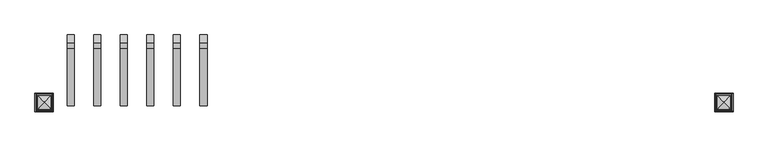
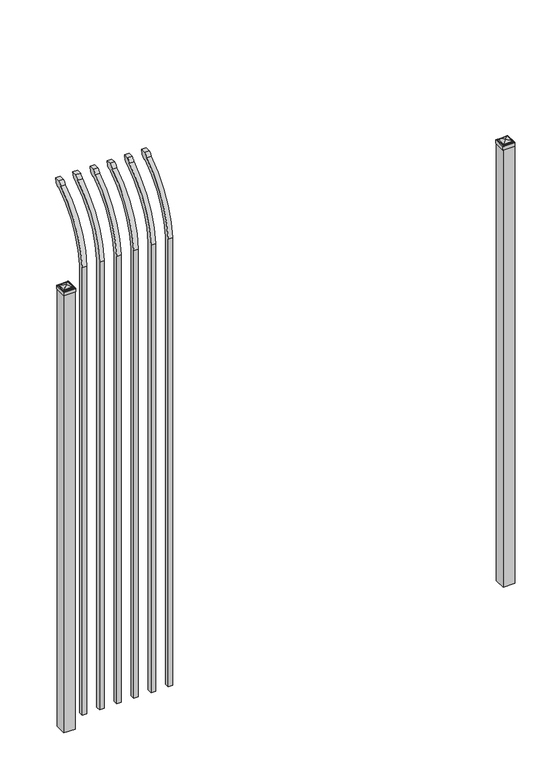
"""IFC4 building model written with IfcOpenShell, lengths in millimetres: railing geometry."""

from ifc_helpers import new_model, si_unit, point, frame, origin, origin_with_axes, place, context, project, spatial, polyline, circle_curve, ellipse_curve, trimmed, outline, extrude, source, transform, mapped, element, save
from ifc_brep_helpers import plane_surface, cylinder_surface, revolved_surface, extruded_surface, advanced_brep


def railing_e2845cda(model_context):
    return source(origin(), model_context, "Body", "SolidModel", [
        advanced_brep(
        [(20603.9350064, 8857.619541, 50.8), (20603.9350064, 8857.619541, 2673.5226889), (20603.9350064, 9054.7326851, 3005.7022378), (20603.9350064, 9081.2407099, 3020.3867549), (20603.9350064, 9087.1100864, 3048.0), (20603.9350064, 9058.8799449, 3048.0), (20603.9350064, 9039.4931591, 3027.0682561), (20603.9350064, 8832.219541, 2673.5226889), (20603.9350064, 8832.219541, 50.8), (20578.5350064, 8857.619541, 50.8), (20578.5350064, 8857.619541, 2673.5226889), (20578.5350064, 8832.219541, 2673.5226889), (20578.5350064, 8832.219541, 50.8), (20578.5350064, 9039.4931591, 3027.0682561), (20578.5350064, 9058.8799449, 3048.0), (20578.5350064, 9087.1100864, 3048.0), (20578.5350064, 9081.2407099, 3020.3867549), (20578.5350064, 9054.7326851, 3005.7022378)],
        [
            (0, 1),
            (1, 2, circle_curve(frame((20603.9350064, 9294.9874207, 2638.5640776), z_axis=(-1.0, 0.0, 0.0), x_axis=(0.0, 1.0, 0.0)), 438.7627681)),
            (2, 3, ellipse_curve(frame((20603.9350064, 9062.5579376, 3028.1180619), z_axis=(1.0, 0.0, 0.0), x_axis=(0.0, -0.7771459614569761, -0.6293203910498311)), 26.7460194, 19.05)),
            (3, 4),
            (4, 5),
            (5, 6, ellipse_curve(frame((20603.9350064, 9062.5579376, 3028.1180619), z_axis=(0.9999999999999999, 0.0, 0.0), x_axis=(0.0, -0.7771459614569769, -0.62932039104983)), 26.7460194, 19.05)),
            (6, 7, circle_curve(frame((20603.9350064, 9294.0333244, 2640.3065933), z_axis=(1.0, 0.0, 0.0), x_axis=(0.0, 1.0, 0.0)), 463.0067812)),
            (7, 8),
            (8, 0),
            (0, 9),
            (9, 10),
            (10, 1),
            (7, 11),
            (11, 12),
            (12, 8),
            (12, 9),
            (11, 13, circle_curve(frame((20578.5350064, 9294.0333244, 2640.3065933), z_axis=(-1.0, 0.0, 0.0), x_axis=(0.0, 1.0, 0.0)), 463.0067812)),
            (13, 14, ellipse_curve(frame((20578.5350064, 9062.5579376, 3028.1180619), z_axis=(-0.9999999999999999, 0.0, 0.0), x_axis=(0.0, -0.7771459614569769, -0.62932039104983)), 26.7460194, 19.05)),
            (14, 15),
            (15, 16),
            (16, 17, ellipse_curve(frame((20578.5350064, 9062.5579376, 3028.1180619), z_axis=(-1.0, 0.0, 0.0), x_axis=(0.0, -0.7771459614569761, -0.6293203910498311)), 26.7460194, 19.05)),
            (17, 10, circle_curve(frame((20578.5350064, 9294.9874207, 2638.5640776), z_axis=(1.0, 0.0, 0.0), x_axis=(0.0, 1.0, 0.0)), 438.7627681)),
            (17, 2),
            (16, 3),
            (15, 4),
            (14, 5),
            (13, 6),
        ],
        [
            plane_surface(frame((20603.9350064, 8857.619541, 50.8), z_axis=(1.0, 0.0, 0.0), x_axis=(0.0, 0.0, 1.0))),
            plane_surface(frame((20603.9350064, 8857.619541, 50.8), z_axis=(0.0, 1.0, 0.0), x_axis=(-1.0, 0.0, 0.0))),
            plane_surface(frame((20603.9350064, 8832.219541, 2673.5226889), z_axis=(0.0, -1.0, 0.0), x_axis=(-1.0, 0.0, 0.0))),
            plane_surface(frame((20603.9350064, 8832.219541, 50.8), z_axis=(0.0, 0.0, -1.0), x_axis=(-1.0, 0.0, 0.0))),
            plane_surface(frame((20578.5350064, 8857.619541, 50.8), z_axis=(-1.0, 0.0, 0.0), x_axis=(0.0, 0.0, -1.0))),
            revolved_surface(polyline([(20578.5350064, 9733.750188799999, 2638.5640776), (20603.9350064, 9733.750188799999, 2638.5640776)]), (20578.5350064, 9294.9874207, 2638.5640776), (-1.0, 0.0, 0.0)),
            extruded_surface(trimmed(ellipse_curve(frame((20553.1350064, 9062.5579376, 3028.1180619), z_axis=(1.0, 0.0, 0.0), x_axis=(0.0, -0.7771459614569761, -0.6293203910498311)), 26.7460194, 19.05), [point((20553.1350064, 9054.7326851, 3005.7022378))], [point((20553.1350064, 9081.2407099, 3020.3867549))], True, "CARTESIAN"), (25.400000000001455, 0.0, 0.0), 25.400000000001455),
            plane_surface(frame((20603.9350064, 9081.2407099, 3020.3867549), z_axis=(0.0, 0.9781476007338016, -0.2079116908177787), x_axis=(-1.0, 0.0, 0.0))),
            plane_surface(frame((20603.9350064, 9087.1100864, 3048.0), z_axis=(0.0, 0.0, 1.0), x_axis=(-1.0, 0.0, 0.0))),
            extruded_surface(trimmed(ellipse_curve(frame((20553.1350064, 9062.5579376, 3028.1180619), z_axis=(0.9999999999999999, 0.0, 0.0), x_axis=(0.0, -0.7771459614569769, -0.62932039104983)), 26.7460194, 19.05), [point((20553.1350064, 9058.8799449, 3048.0))], [point((20553.1350064, 9039.4931591, 3027.0682561))], True, "CARTESIAN"), (25.400000000001455, 0.0, 0.0), 25.400000000001455),
            cylinder_surface(frame((20578.5350064, 9294.0333244, 2640.3065933), z_axis=(1.0, 0.0, 0.0), x_axis=(0.0, 1.0, 0.0)), 463.0067812),
        ],
        [
            (0, [[1, 2, 3, 4, 5, 6, 7, 8, 9]]),
            (1, [[-1, 10, 11, 12]]),
            (2, [[-8, 13, 14, 15]]),
            (3, [[-9, -15, 16, -10]]),
            (4, [[-16, -14, 17, 18, 19, 20, 21, 22, -11]]),
            (5, [[-2, -12, -22, 23]]),
            (6, [[-3, -23, -21, 24]]),
            (7, [[-4, -24, -20, 25]]),
            (8, [[-5, -25, -19, 26]]),
            (9, [[-6, -26, -18, 27]]),
            (10, [[-7, -27, -17, -13]]),
        ],
    ),
        advanced_brep(
        [(20508.6850064, 8857.619541, 50.8), (20508.6850064, 8857.619541, 2673.5226889), (20508.6850064, 9054.7326851, 3005.7022378), (20508.6850064, 9081.2407099, 3020.3867549), (20508.6850064, 9087.1100864, 3048.0), (20508.6850064, 9058.8799449, 3048.0), (20508.6850064, 9039.4931591, 3027.0682561), (20508.6850064, 8832.219541, 2673.5226889), (20508.6850064, 8832.219541, 50.8), (20483.2850064, 8857.619541, 50.8), (20483.2850064, 8857.619541, 2673.5226889), (20483.2850064, 8832.219541, 2673.5226889), (20483.2850064, 8832.219541, 50.8), (20483.2850064, 9039.4931591, 3027.0682561), (20483.2850064, 9058.8799449, 3048.0), (20483.2850064, 9087.1100864, 3048.0), (20483.2850064, 9081.2407099, 3020.3867549), (20483.2850064, 9054.7326851, 3005.7022378)],
        [
            (0, 1),
            (1, 2, circle_curve(frame((20508.6850064, 9294.9874207, 2638.5640776), z_axis=(-1.0, 0.0, 0.0), x_axis=(0.0, 1.0, 0.0)), 438.7627681)),
            (2, 3, ellipse_curve(frame((20508.6850064, 9062.5579376, 3028.1180619), z_axis=(1.0, 0.0, 0.0), x_axis=(0.0, -0.7771459614569761, -0.6293203910498311)), 26.7460194, 19.05)),
            (3, 4),
            (4, 5),
            (5, 6, ellipse_curve(frame((20508.6850064, 9062.5579376, 3028.1180619), z_axis=(0.9999999999999999, 0.0, 0.0), x_axis=(0.0, -0.7771459614569769, -0.62932039104983)), 26.7460194, 19.05)),
            (6, 7, circle_curve(frame((20508.6850064, 9294.0333244, 2640.3065933), z_axis=(1.0, 0.0, 0.0), x_axis=(0.0, 1.0, 0.0)), 463.0067812)),
            (7, 8),
            (8, 0),
            (0, 9),
            (9, 10),
            (10, 1),
            (7, 11),
            (11, 12),
            (12, 8),
            (12, 9),
            (11, 13, circle_curve(frame((20483.2850064, 9294.0333244, 2640.3065933), z_axis=(-1.0, 0.0, 0.0), x_axis=(0.0, 1.0, 0.0)), 463.0067812)),
            (13, 14, ellipse_curve(frame((20483.2850064, 9062.5579376, 3028.1180619), z_axis=(-0.9999999999999999, 0.0, 0.0), x_axis=(0.0, -0.7771459614569769, -0.62932039104983)), 26.7460194, 19.05)),
            (14, 15),
            (15, 16),
            (16, 17, ellipse_curve(frame((20483.2850064, 9062.5579376, 3028.1180619), z_axis=(-1.0, 0.0, 0.0), x_axis=(0.0, -0.7771459614569761, -0.6293203910498311)), 26.7460194, 19.05)),
            (17, 10, circle_curve(frame((20483.2850064, 9294.9874207, 2638.5640776), z_axis=(1.0, 0.0, 0.0), x_axis=(0.0, 1.0, 0.0)), 438.7627681)),
            (17, 2),
            (16, 3),
            (15, 4),
            (14, 5),
            (13, 6),
        ],
        [
            plane_surface(frame((20508.6850064, 8857.619541, 50.8), z_axis=(1.0, 0.0, 0.0), x_axis=(0.0, 0.0, 1.0))),
            plane_surface(frame((20508.6850064, 8857.619541, 50.8), z_axis=(0.0, 1.0, 0.0), x_axis=(-1.0, 0.0, 0.0))),
            plane_surface(frame((20508.6850064, 8832.219541, 2673.5226889), z_axis=(0.0, -1.0, 0.0), x_axis=(-1.0, 0.0, 0.0))),
            plane_surface(frame((20508.6850064, 8832.219541, 50.8), z_axis=(0.0, 0.0, -1.0), x_axis=(-1.0, 0.0, 0.0))),
            plane_surface(frame((20483.2850064, 8857.619541, 50.8), z_axis=(-1.0, 0.0, 0.0), x_axis=(0.0, 0.0, -1.0))),
            revolved_surface(polyline([(20483.2850064, 9733.750188799999, 2638.5640776), (20508.6850064, 9733.750188799999, 2638.5640776)]), (20483.2850064, 9294.9874207, 2638.5640776), (-1.0, 0.0, 0.0)),
            extruded_surface(trimmed(ellipse_curve(frame((20457.8850064, 9062.5579376, 3028.1180619), z_axis=(1.0, 0.0, 0.0), x_axis=(0.0, -0.7771459614569761, -0.6293203910498311)), 26.7460194, 19.05), [point((20457.8850064, 9054.7326851, 3005.7022378))], [point((20457.8850064, 9081.2407099, 3020.3867549))], True, "CARTESIAN"), (25.400000000001455, 0.0, 0.0), 25.400000000001455),
            plane_surface(frame((20508.6850064, 9081.2407099, 3020.3867549), z_axis=(0.0, 0.9781476007338016, -0.2079116908177787), x_axis=(-1.0, 0.0, 0.0))),
            plane_surface(frame((20508.6850064, 9087.1100864, 3048.0), z_axis=(0.0, 0.0, 1.0), x_axis=(-1.0, 0.0, 0.0))),
            extruded_surface(trimmed(ellipse_curve(frame((20457.8850064, 9062.5579376, 3028.1180619), z_axis=(0.9999999999999999, 0.0, 0.0), x_axis=(0.0, -0.7771459614569769, -0.62932039104983)), 26.7460194, 19.05), [point((20457.8850064, 9058.8799449, 3048.0))], [point((20457.8850064, 9039.4931591, 3027.0682561))], True, "CARTESIAN"), (25.400000000001455, 0.0, 0.0), 25.400000000001455),
            cylinder_surface(frame((20483.2850064, 9294.0333244, 2640.3065933), z_axis=(1.0, 0.0, 0.0), x_axis=(0.0, 1.0, 0.0)), 463.0067812),
        ],
        [
            (0, [[1, 2, 3, 4, 5, 6, 7, 8, 9]]),
            (1, [[-1, 10, 11, 12]]),
            (2, [[-8, 13, 14, 15]]),
            (3, [[-9, -15, 16, -10]]),
            (4, [[-16, -14, 17, 18, 19, 20, 21, 22, -11]]),
            (5, [[-2, -12, -22, 23]]),
            (6, [[-3, -23, -21, 24]]),
            (7, [[-4, -24, -20, 25]]),
            (8, [[-5, -25, -19, 26]]),
            (9, [[-6, -26, -18, 27]]),
            (10, [[-7, -27, -17, -13]]),
        ],
    ),
        advanced_brep(
        [(20413.4350064, 8857.619541, 50.8), (20413.4350064, 8857.619541, 2673.5226889), (20413.4350064, 9054.7326851, 3005.7022378), (20413.4350064, 9081.2407099, 3020.3867549), (20413.4350064, 9087.1100864, 3048.0), (20413.4350064, 9058.8799449, 3048.0), (20413.4350064, 9039.4931591, 3027.0682561), (20413.4350064, 8832.219541, 2673.5226889), (20413.4350064, 8832.219541, 50.8), (20388.0350064, 8857.619541, 50.8), (20388.0350064, 8857.619541, 2673.5226889), (20388.0350064, 8832.219541, 2673.5226889), (20388.0350064, 8832.219541, 50.8), (20388.0350064, 9039.4931591, 3027.0682561), (20388.0350064, 9058.8799449, 3048.0), (20388.0350064, 9087.1100864, 3048.0), (20388.0350064, 9081.2407099, 3020.3867549), (20388.0350064, 9054.7326851, 3005.7022378)],
        [
            (0, 1),
            (1, 2, circle_curve(frame((20413.4350064, 9294.9874207, 2638.5640776), z_axis=(-1.0, 0.0, 0.0), x_axis=(0.0, 1.0, 0.0)), 438.7627681)),
            (2, 3, ellipse_curve(frame((20413.4350064, 9062.5579376, 3028.1180619), z_axis=(1.0, 0.0, 0.0), x_axis=(0.0, -0.7771459614569761, -0.6293203910498311)), 26.7460194, 19.05)),
            (3, 4),
            (4, 5),
            (5, 6, ellipse_curve(frame((20413.4350064, 9062.5579376, 3028.1180619), z_axis=(0.9999999999999999, 0.0, 0.0), x_axis=(0.0, -0.7771459614569769, -0.62932039104983)), 26.7460194, 19.05)),
            (6, 7, circle_curve(frame((20413.4350064, 9294.0333244, 2640.3065933), z_axis=(1.0, 0.0, 0.0), x_axis=(0.0, 1.0, 0.0)), 463.0067812)),
            (7, 8),
            (8, 0),
            (0, 9),
            (9, 10),
            (10, 1),
            (7, 11),
            (11, 12),
            (12, 8),
            (12, 9),
            (11, 13, circle_curve(frame((20388.0350064, 9294.0333244, 2640.3065933), z_axis=(-1.0, 0.0, 0.0), x_axis=(0.0, 1.0, 0.0)), 463.0067812)),
            (13, 14, ellipse_curve(frame((20388.0350064, 9062.5579376, 3028.1180619), z_axis=(-0.9999999999999999, 0.0, 0.0), x_axis=(0.0, -0.7771459614569769, -0.62932039104983)), 26.7460194, 19.05)),
            (14, 15),
            (15, 16),
            (16, 17, ellipse_curve(frame((20388.0350064, 9062.5579376, 3028.1180619), z_axis=(-1.0, 0.0, 0.0), x_axis=(0.0, -0.7771459614569761, -0.6293203910498311)), 26.7460194, 19.05)),
            (17, 10, circle_curve(frame((20388.0350064, 9294.9874207, 2638.5640776), z_axis=(1.0, 0.0, 0.0), x_axis=(0.0, 1.0, 0.0)), 438.7627681)),
            (17, 2),
            (16, 3),
            (15, 4),
            (14, 5),
            (13, 6),
        ],
        [
            plane_surface(frame((20413.4350064, 8857.619541, 50.8), z_axis=(1.0, 0.0, 0.0), x_axis=(0.0, 0.0, 1.0))),
            plane_surface(frame((20413.4350064, 8857.619541, 50.8), z_axis=(0.0, 1.0, 0.0), x_axis=(-1.0, 0.0, 0.0))),
            plane_surface(frame((20413.4350064, 8832.219541, 2673.5226889), z_axis=(0.0, -1.0, 0.0), x_axis=(-1.0, 0.0, 0.0))),
            plane_surface(frame((20413.4350064, 8832.219541, 50.8), z_axis=(0.0, 0.0, -1.0), x_axis=(-1.0, 0.0, 0.0))),
            plane_surface(frame((20388.0350064, 8857.619541, 50.8), z_axis=(-1.0, 0.0, 0.0), x_axis=(0.0, 0.0, -1.0))),
            revolved_surface(polyline([(20388.0350064, 9733.750188799999, 2638.5640776), (20413.4350064, 9733.750188799999, 2638.5640776)]), (20388.0350064, 9294.9874207, 2638.5640776), (-1.0, 0.0, 0.0)),
            extruded_surface(trimmed(ellipse_curve(frame((20362.6350064, 9062.5579376, 3028.1180619), z_axis=(1.0, 0.0, 0.0), x_axis=(0.0, -0.7771459614569761, -0.6293203910498311)), 26.7460194, 19.05), [point((20362.6350064, 9054.7326851, 3005.7022378))], [point((20362.6350064, 9081.2407099, 3020.3867549))], True, "CARTESIAN"), (25.400000000001455, 0.0, 0.0), 25.400000000001455),
            plane_surface(frame((20413.4350064, 9081.2407099, 3020.3867549), z_axis=(0.0, 0.9781476007338016, -0.2079116908177787), x_axis=(-1.0, 0.0, 0.0))),
            plane_surface(frame((20413.4350064, 9087.1100864, 3048.0), z_axis=(0.0, 0.0, 1.0), x_axis=(-1.0, 0.0, 0.0))),
            extruded_surface(trimmed(ellipse_curve(frame((20362.6350064, 9062.5579376, 3028.1180619), z_axis=(0.9999999999999999, 0.0, 0.0), x_axis=(0.0, -0.7771459614569769, -0.62932039104983)), 26.7460194, 19.05), [point((20362.6350064, 9058.8799449, 3048.0))], [point((20362.6350064, 9039.4931591, 3027.0682561))], True, "CARTESIAN"), (25.400000000001455, 0.0, 0.0), 25.400000000001455),
            cylinder_surface(frame((20388.0350064, 9294.0333244, 2640.3065933), z_axis=(1.0, 0.0, 0.0), x_axis=(0.0, 1.0, 0.0)), 463.0067812),
        ],
        [
            (0, [[1, 2, 3, 4, 5, 6, 7, 8, 9]]),
            (1, [[-1, 10, 11, 12]]),
            (2, [[-8, 13, 14, 15]]),
            (3, [[-9, -15, 16, -10]]),
            (4, [[-16, -14, 17, 18, 19, 20, 21, 22, -11]]),
            (5, [[-2, -12, -22, 23]]),
            (6, [[-3, -23, -21, 24]]),
            (7, [[-4, -24, -20, 25]]),
            (8, [[-5, -25, -19, 26]]),
            (9, [[-6, -26, -18, 27]]),
            (10, [[-7, -27, -17, -13]]),
        ],
    ),
        advanced_brep(
        [(20318.1850064, 8857.619541, 50.8), (20318.1850064, 8857.619541, 2673.5226889), (20318.1850064, 9054.7326851, 3005.7022378), (20318.1850064, 9081.2407099, 3020.3867549), (20318.1850064, 9087.1100864, 3048.0), (20318.1850064, 9058.8799449, 3048.0), (20318.1850064, 9039.4931591, 3027.0682561), (20318.1850064, 8832.219541, 2673.5226889), (20318.1850064, 8832.219541, 50.8), (20292.7850064, 8857.619541, 50.8), (20292.7850064, 8857.619541, 2673.5226889), (20292.7850064, 8832.219541, 2673.5226889), (20292.7850064, 8832.219541, 50.8), (20292.7850064, 9039.4931591, 3027.0682561), (20292.7850064, 9058.8799449, 3048.0), (20292.7850064, 9087.1100864, 3048.0), (20292.7850064, 9081.2407099, 3020.3867549), (20292.7850064, 9054.7326851, 3005.7022378)],
        [
            (0, 1),
            (1, 2, circle_curve(frame((20318.1850064, 9294.9874207, 2638.5640776), z_axis=(-1.0, 0.0, 0.0), x_axis=(0.0, 1.0, 0.0)), 438.7627681)),
            (2, 3, ellipse_curve(frame((20318.1850064, 9062.5579376, 3028.1180619), z_axis=(1.0, 0.0, 0.0), x_axis=(0.0, -0.7771459614569761, -0.6293203910498311)), 26.7460194, 19.05)),
            (3, 4),
            (4, 5),
            (5, 6, ellipse_curve(frame((20318.1850064, 9062.5579376, 3028.1180619), z_axis=(0.9999999999999999, 0.0, 0.0), x_axis=(0.0, -0.7771459614569769, -0.62932039104983)), 26.7460194, 19.05)),
            (6, 7, circle_curve(frame((20318.1850064, 9294.0333244, 2640.3065933), z_axis=(1.0, 0.0, 0.0), x_axis=(0.0, 1.0, 0.0)), 463.0067812)),
            (7, 8),
            (8, 0),
            (0, 9),
            (9, 10),
            (10, 1),
            (7, 11),
            (11, 12),
            (12, 8),
            (12, 9),
            (11, 13, circle_curve(frame((20292.7850064, 9294.0333244, 2640.3065933), z_axis=(-1.0, 0.0, 0.0), x_axis=(0.0, 1.0, 0.0)), 463.0067812)),
            (13, 14, ellipse_curve(frame((20292.7850064, 9062.5579376, 3028.1180619), z_axis=(-0.9999999999999999, 0.0, 0.0), x_axis=(0.0, -0.7771459614569769, -0.62932039104983)), 26.7460194, 19.05)),
            (14, 15),
            (15, 16),
            (16, 17, ellipse_curve(frame((20292.7850064, 9062.5579376, 3028.1180619), z_axis=(-1.0, 0.0, 0.0), x_axis=(0.0, -0.7771459614569761, -0.6293203910498311)), 26.7460194, 19.05)),
            (17, 10, circle_curve(frame((20292.7850064, 9294.9874207, 2638.5640776), z_axis=(1.0, 0.0, 0.0), x_axis=(0.0, 1.0, 0.0)), 438.7627681)),
            (17, 2),
            (16, 3),
            (15, 4),
            (14, 5),
            (13, 6),
        ],
        [
            plane_surface(frame((20318.1850064, 8857.619541, 50.8), z_axis=(1.0, 0.0, 0.0), x_axis=(0.0, 0.0, 1.0))),
            plane_surface(frame((20318.1850064, 8857.619541, 50.8), z_axis=(0.0, 1.0, 0.0), x_axis=(-1.0, 0.0, 0.0))),
            plane_surface(frame((20318.1850064, 8832.219541, 2673.5226889), z_axis=(0.0, -1.0, 0.0), x_axis=(-1.0, 0.0, 0.0))),
            plane_surface(frame((20318.1850064, 8832.219541, 50.8), z_axis=(0.0, 0.0, -1.0), x_axis=(-1.0, 0.0, 0.0))),
            plane_surface(frame((20292.7850064, 8857.619541, 50.8), z_axis=(-1.0, 0.0, 0.0), x_axis=(0.0, 0.0, -1.0))),
            revolved_surface(polyline([(20292.7850064, 9733.750188799999, 2638.5640776), (20318.1850064, 9733.750188799999, 2638.5640776)]), (20292.7850064, 9294.9874207, 2638.5640776), (-1.0, 0.0, 0.0)),
            extruded_surface(trimmed(ellipse_curve(frame((20267.3850064, 9062.5579376, 3028.1180619), z_axis=(1.0, 0.0, 0.0), x_axis=(0.0, -0.7771459614569761, -0.6293203910498311)), 26.7460194, 19.05), [point((20267.3850064, 9054.7326851, 3005.7022378))], [point((20267.3850064, 9081.2407099, 3020.3867549))], True, "CARTESIAN"), (25.400000000001455, 0.0, 0.0), 25.400000000001455),
            plane_surface(frame((20318.1850064, 9081.2407099, 3020.3867549), z_axis=(0.0, 0.9781476007338016, -0.2079116908177787), x_axis=(-1.0, 0.0, 0.0))),
            plane_surface(frame((20318.1850064, 9087.1100864, 3048.0), z_axis=(0.0, 0.0, 1.0), x_axis=(-1.0, 0.0, 0.0))),
            extruded_surface(trimmed(ellipse_curve(frame((20267.3850064, 9062.5579376, 3028.1180619), z_axis=(0.9999999999999999, 0.0, 0.0), x_axis=(0.0, -0.7771459614569769, -0.62932039104983)), 26.7460194, 19.05), [point((20267.3850064, 9058.8799449, 3048.0))], [point((20267.3850064, 9039.4931591, 3027.0682561))], True, "CARTESIAN"), (25.400000000001455, 0.0, 0.0), 25.400000000001455),
            cylinder_surface(frame((20292.7850064, 9294.0333244, 2640.3065933), z_axis=(1.0, 0.0, 0.0), x_axis=(0.0, 1.0, 0.0)), 463.0067812),
        ],
        [
            (0, [[1, 2, 3, 4, 5, 6, 7, 8, 9]]),
            (1, [[-1, 10, 11, 12]]),
            (2, [[-8, 13, 14, 15]]),
            (3, [[-9, -15, 16, -10]]),
            (4, [[-16, -14, 17, 18, 19, 20, 21, 22, -11]]),
            (5, [[-2, -12, -22, 23]]),
            (6, [[-3, -23, -21, 24]]),
            (7, [[-4, -24, -20, 25]]),
            (8, [[-5, -25, -19, 26]]),
            (9, [[-6, -26, -18, 27]]),
            (10, [[-7, -27, -17, -13]]),
        ],
    ),
        advanced_brep(
        [(20222.9350064, 8857.619541, 50.8), (20222.9350064, 8857.619541, 2673.5226889), (20222.9350064, 9054.7326851, 3005.7022378), (20222.9350064, 9081.2407099, 3020.3867549), (20222.9350064, 9087.1100864, 3048.0), (20222.9350064, 9058.8799449, 3048.0), (20222.9350064, 9039.4931591, 3027.0682561), (20222.9350064, 8832.219541, 2673.5226889), (20222.9350064, 8832.219541, 50.8), (20197.5350064, 8857.619541, 50.8), (20197.5350064, 8857.619541, 2673.5226889), (20197.5350064, 8832.219541, 2673.5226889), (20197.5350064, 8832.219541, 50.8), (20197.5350064, 9039.4931591, 3027.0682561), (20197.5350064, 9058.8799449, 3048.0), (20197.5350064, 9087.1100864, 3048.0), (20197.5350064, 9081.2407099, 3020.3867549), (20197.5350064, 9054.7326851, 3005.7022378)],
        [
            (0, 1),
            (1, 2, circle_curve(frame((20222.9350064, 9294.9874207, 2638.5640776), z_axis=(-1.0, 0.0, 0.0), x_axis=(0.0, 1.0, 0.0)), 438.7627681)),
            (2, 3, ellipse_curve(frame((20222.9350064, 9062.5579376, 3028.1180619), z_axis=(1.0, 0.0, 0.0), x_axis=(0.0, -0.7771459614569761, -0.6293203910498311)), 26.7460194, 19.05)),
            (3, 4),
            (4, 5),
            (5, 6, ellipse_curve(frame((20222.9350064, 9062.5579376, 3028.1180619), z_axis=(0.9999999999999999, 0.0, 0.0), x_axis=(0.0, -0.7771459614569769, -0.62932039104983)), 26.7460194, 19.05)),
            (6, 7, circle_curve(frame((20222.9350064, 9294.0333244, 2640.3065933), z_axis=(1.0, 0.0, 0.0), x_axis=(0.0, 1.0, 0.0)), 463.0067812)),
            (7, 8),
            (8, 0),
            (0, 9),
            (9, 10),
            (10, 1),
            (7, 11),
            (11, 12),
            (12, 8),
            (12, 9),
            (11, 13, circle_curve(frame((20197.5350064, 9294.0333244, 2640.3065933), z_axis=(-1.0, 0.0, 0.0), x_axis=(0.0, 1.0, 0.0)), 463.0067812)),
            (13, 14, ellipse_curve(frame((20197.5350064, 9062.5579376, 3028.1180619), z_axis=(-0.9999999999999999, 0.0, 0.0), x_axis=(0.0, -0.7771459614569769, -0.62932039104983)), 26.7460194, 19.05)),
            (14, 15),
            (15, 16),
            (16, 17, ellipse_curve(frame((20197.5350064, 9062.5579376, 3028.1180619), z_axis=(-1.0, 0.0, 0.0), x_axis=(0.0, -0.7771459614569761, -0.6293203910498311)), 26.7460194, 19.05)),
            (17, 10, circle_curve(frame((20197.5350064, 9294.9874207, 2638.5640776), z_axis=(1.0, 0.0, 0.0), x_axis=(0.0, 1.0, 0.0)), 438.7627681)),
            (17, 2),
            (16, 3),
            (15, 4),
            (14, 5),
            (13, 6),
        ],
        [
            plane_surface(frame((20222.9350064, 8857.619541, 50.8), z_axis=(1.0, 0.0, 0.0), x_axis=(0.0, 0.0, 1.0))),
            plane_surface(frame((20222.9350064, 8857.619541, 50.8), z_axis=(0.0, 1.0, 0.0), x_axis=(-1.0, 0.0, 0.0))),
            plane_surface(frame((20222.9350064, 8832.219541, 2673.5226889), z_axis=(0.0, -1.0, 0.0), x_axis=(-1.0, 0.0, 0.0))),
            plane_surface(frame((20222.9350064, 8832.219541, 50.8), z_axis=(0.0, 0.0, -1.0), x_axis=(-1.0, 0.0, 0.0))),
            plane_surface(frame((20197.5350064, 8857.619541, 50.8), z_axis=(-1.0, 0.0, 0.0), x_axis=(0.0, 0.0, -1.0))),
            revolved_surface(polyline([(20197.5350064, 9733.750188799999, 2638.5640776), (20222.9350064, 9733.750188799999, 2638.5640776)]), (20197.5350064, 9294.9874207, 2638.5640776), (-1.0, 0.0, 0.0)),
            extruded_surface(trimmed(ellipse_curve(frame((20172.1350064, 9062.5579376, 3028.1180619), z_axis=(1.0, 0.0, 0.0), x_axis=(0.0, -0.7771459614569761, -0.6293203910498311)), 26.7460194, 19.05), [point((20172.1350064, 9054.7326851, 3005.7022378))], [point((20172.1350064, 9081.2407099, 3020.3867549))], True, "CARTESIAN"), (25.400000000001455, 0.0, 0.0), 25.400000000001455),
            plane_surface(frame((20222.9350064, 9081.2407099, 3020.3867549), z_axis=(0.0, 0.9781476007338016, -0.2079116908177787), x_axis=(-1.0, 0.0, 0.0))),
            plane_surface(frame((20222.9350064, 9087.1100864, 3048.0), z_axis=(0.0, 0.0, 1.0), x_axis=(-1.0, 0.0, 0.0))),
            extruded_surface(trimmed(ellipse_curve(frame((20172.1350064, 9062.5579376, 3028.1180619), z_axis=(0.9999999999999999, 0.0, 0.0), x_axis=(0.0, -0.7771459614569769, -0.62932039104983)), 26.7460194, 19.05), [point((20172.1350064, 9058.8799449, 3048.0))], [point((20172.1350064, 9039.4931591, 3027.0682561))], True, "CARTESIAN"), (25.400000000001455, 0.0, 0.0), 25.400000000001455),
            cylinder_surface(frame((20197.5350064, 9294.0333244, 2640.3065933), z_axis=(1.0, 0.0, 0.0), x_axis=(0.0, 1.0, 0.0)), 463.0067812),
        ],
        [
            (0, [[1, 2, 3, 4, 5, 6, 7, 8, 9]]),
            (1, [[-1, 10, 11, 12]]),
            (2, [[-8, 13, 14, 15]]),
            (3, [[-9, -15, 16, -10]]),
            (4, [[-16, -14, 17, 18, 19, 20, 21, 22, -11]]),
            (5, [[-2, -12, -22, 23]]),
            (6, [[-3, -23, -21, 24]]),
            (7, [[-4, -24, -20, 25]]),
            (8, [[-5, -25, -19, 26]]),
            (9, [[-6, -26, -18, 27]]),
            (10, [[-7, -27, -17, -13]]),
        ],
    ),
        advanced_brep(
        [(20127.6850064, 8857.619541, 50.8), (20127.6850064, 8857.619541, 2673.5226889), (20127.6850064, 9054.7326851, 3005.7022378), (20127.6850064, 9081.2407099, 3020.3867549), (20127.6850064, 9087.1100864, 3048.0), (20127.6850064, 9058.8799449, 3048.0), (20127.6850064, 9039.4931591, 3027.0682561), (20127.6850064, 8832.219541, 2673.5226889), (20127.6850064, 8832.219541, 50.8), (20102.2850064, 8857.619541, 50.8), (20102.2850064, 8857.619541, 2673.5226889), (20102.2850064, 8832.219541, 2673.5226889), (20102.2850064, 8832.219541, 50.8), (20102.2850064, 9039.4931591, 3027.0682561), (20102.2850064, 9058.8799449, 3048.0), (20102.2850064, 9087.1100864, 3048.0), (20102.2850064, 9081.2407099, 3020.3867549), (20102.2850064, 9054.7326851, 3005.7022378)],
        [
            (0, 1),
            (1, 2, circle_curve(frame((20127.6850064, 9294.9874207, 2638.5640776), z_axis=(-1.0, 0.0, 0.0), x_axis=(0.0, 1.0, 0.0)), 438.7627681)),
            (2, 3, ellipse_curve(frame((20127.6850064, 9062.5579376, 3028.1180619), z_axis=(1.0, 0.0, 0.0), x_axis=(0.0, -0.7771459614569761, -0.6293203910498311)), 26.7460194, 19.05)),
            (3, 4),
            (4, 5),
            (5, 6, ellipse_curve(frame((20127.6850064, 9062.5579376, 3028.1180619), z_axis=(0.9999999999999999, 0.0, 0.0), x_axis=(0.0, -0.7771459614569769, -0.62932039104983)), 26.7460194, 19.05)),
            (6, 7, circle_curve(frame((20127.6850064, 9294.0333244, 2640.3065933), z_axis=(1.0, 0.0, 0.0), x_axis=(0.0, 1.0, 0.0)), 463.0067812)),
            (7, 8),
            (8, 0),
            (0, 9),
            (9, 10),
            (10, 1),
            (7, 11),
            (11, 12),
            (12, 8),
            (12, 9),
            (11, 13, circle_curve(frame((20102.2850064, 9294.0333244, 2640.3065933), z_axis=(-1.0, 0.0, 0.0), x_axis=(0.0, 1.0, 0.0)), 463.0067812)),
            (13, 14, ellipse_curve(frame((20102.2850064, 9062.5579376, 3028.1180619), z_axis=(-0.9999999999999999, 0.0, 0.0), x_axis=(0.0, -0.7771459614569769, -0.62932039104983)), 26.7460194, 19.05)),
            (14, 15),
            (15, 16),
            (16, 17, ellipse_curve(frame((20102.2850064, 9062.5579376, 3028.1180619), z_axis=(-1.0, 0.0, 0.0), x_axis=(0.0, -0.7771459614569761, -0.6293203910498311)), 26.7460194, 19.05)),
            (17, 10, circle_curve(frame((20102.2850064, 9294.9874207, 2638.5640776), z_axis=(1.0, 0.0, 0.0), x_axis=(0.0, 1.0, 0.0)), 438.7627681)),
            (17, 2),
            (16, 3),
            (15, 4),
            (14, 5),
            (13, 6),
        ],
        [
            plane_surface(frame((20127.6850064, 8857.619541, 50.8), z_axis=(1.0, 0.0, 0.0), x_axis=(0.0, 0.0, 1.0))),
            plane_surface(frame((20127.6850064, 8857.619541, 50.8), z_axis=(0.0, 1.0, 0.0), x_axis=(-1.0, 0.0, 0.0))),
            plane_surface(frame((20127.6850064, 8832.219541, 2673.5226889), z_axis=(0.0, -1.0, 0.0), x_axis=(-1.0, 0.0, 0.0))),
            plane_surface(frame((20127.6850064, 8832.219541, 50.8), z_axis=(0.0, 0.0, -1.0), x_axis=(-1.0, 0.0, 0.0))),
            plane_surface(frame((20102.2850064, 8857.619541, 50.8), z_axis=(-1.0, 0.0, 0.0), x_axis=(0.0, 0.0, -1.0))),
            revolved_surface(polyline([(20102.2850064, 9733.750188799999, 2638.5640776), (20127.6850064, 9733.750188799999, 2638.5640776)]), (20102.2850064, 9294.9874207, 2638.5640776), (-1.0, 0.0, 0.0)),
            extruded_surface(trimmed(ellipse_curve(frame((20076.8850064, 9062.5579376, 3028.1180619), z_axis=(1.0, 0.0, 0.0), x_axis=(0.0, -0.7771459614569761, -0.6293203910498311)), 26.7460194, 19.05), [point((20076.8850064, 9054.7326851, 3005.7022378))], [point((20076.8850064, 9081.2407099, 3020.3867549))], True, "CARTESIAN"), (25.400000000001455, 0.0, 0.0), 25.400000000001455),
            plane_surface(frame((20127.6850064, 9081.2407099, 3020.3867549), z_axis=(0.0, 0.9781476007338016, -0.2079116908177787), x_axis=(-1.0, 0.0, 0.0))),
            plane_surface(frame((20127.6850064, 9087.1100864, 3048.0), z_axis=(0.0, 0.0, 1.0), x_axis=(-1.0, 0.0, 0.0))),
            extruded_surface(trimmed(ellipse_curve(frame((20076.8850064, 9062.5579376, 3028.1180619), z_axis=(0.9999999999999999, 0.0, 0.0), x_axis=(0.0, -0.7771459614569769, -0.62932039104983)), 26.7460194, 19.05), [point((20076.8850064, 9058.8799449, 3048.0))], [point((20076.8850064, 9039.4931591, 3027.0682561))], True, "CARTESIAN"), (25.400000000001455, 0.0, 0.0), 25.400000000001455),
            cylinder_surface(frame((20102.2850064, 9294.0333244, 2640.3065933), z_axis=(1.0, 0.0, 0.0), x_axis=(0.0, 1.0, 0.0)), 463.0067812),
        ],
        [
            (0, [[1, 2, 3, 4, 5, 6, 7, 8, 9]]),
            (1, [[-1, 10, 11, 12]]),
            (2, [[-8, 13, 14, 15]]),
            (3, [[-9, -15, 16, -10]]),
            (4, [[-16, -14, 17, 18, 19, 20, 21, 22, -11]]),
            (5, [[-2, -12, -22, 23]]),
            (6, [[-3, -23, -21, 24]]),
            (7, [[-4, -24, -20, 25]]),
            (8, [[-5, -25, -19, 26]]),
            (9, [[-6, -26, -18, 27]]),
            (10, [[-7, -27, -17, -13]]),
        ],
    ),
        extrude(outline(polyline([(22489.8850064, 8876.669541), (22489.8850064, 8813.169541), (22426.3850064, 8813.169541), (22426.3850064, 8876.669541), (22489.8850064, 8876.669541)])), origin_with_axes(), (0.0, 0.0, 1.0), 2563.8125),
        advanced_brep(
        [(22424.7975064, 8878.257041, 2582.06875), (22424.7975064, 8878.257041, 2563.8125), (22424.7975064, 8811.582041, 2563.8125), (22424.7975064, 8811.582041, 2582.06875), (22427.1787564, 8875.875791, 2584.45), (22427.1787564, 8813.963291, 2584.45), (22429.5600064, 8873.494541, 2586.83125), (22429.5600064, 8873.494541, 2584.45), (22429.5600064, 8816.344541, 2584.45), (22429.5600064, 8816.344541, 2586.83125), (22431.9412564, 8871.113291, 2589.2125), (22431.9412564, 8818.725791, 2589.2125), (22458.1350064, 8844.919541, 2595.5625), (22434.3225064, 8868.732041, 2589.2125), (22434.3225064, 8821.107041, 2589.2125), (22491.4725064, 8811.582041, 2563.8125), (22491.4725064, 8811.582041, 2582.06875), (22489.0912564, 8813.963291, 2584.45), (22486.7100064, 8816.344541, 2584.45), (22486.7100064, 8816.344541, 2586.83125), (22484.3287564, 8818.725791, 2589.2125), (22481.9475064, 8821.107041, 2589.2125), (22491.4725064, 8878.257041, 2563.8125), (22491.4725064, 8878.257041, 2582.06875), (22489.0912564, 8875.875791, 2584.45), (22486.7100064, 8873.494541, 2584.45), (22486.7100064, 8873.494541, 2586.83125), (22484.3287564, 8871.113291, 2589.2125), (22481.9475064, 8868.732041, 2589.2125)],
        [
            (0, 1),
            (1, 2),
            (2, 3),
            (3, 0),
            (4, 0, ellipse_curve(frame((22427.1787564, 8875.875791, 2582.06875), z_axis=(-0.70710678118655, -0.7071067811865449, 0.0), x_axis=(-0.7071067811865448, 0.7071067811865501, 0.0)), 3.367596, 2.38125)),
            (3, 5, ellipse_curve(frame((22427.1787564, 8813.963291, 2582.06875), z_axis=(-0.7071067811865449, 0.70710678118655, 0.0), x_axis=(0.7071067811865499, 0.707106781186545, 0.0)), 3.367596, 2.38125)),
            (5, 4),
            (6, 7),
            (7, 8),
            (8, 9),
            (9, 6),
            (10, 6, ellipse_curve(frame((22431.9412564, 8871.113291, 2586.83125), z_axis=(-0.70710678118655, -0.7071067811865449, 0.0), x_axis=(-0.7071067811865448, 0.7071067811865501, 0.0)), 3.367596, 2.38125)),
            (9, 11, ellipse_curve(frame((22431.9412564, 8818.725791, 2586.83125), z_axis=(-0.7071067811865449, 0.70710678118655, 0.0), x_axis=(0.7071067811865499, 0.707106781186545, 0.0)), 3.367596, 2.38125)),
            (11, 10),
            (12, 13, ellipse_curve(frame((22458.1350064, 8844.919541, 2547.7390625), z_axis=(-0.70710678118655, -0.7071067811865449, 0.0), x_axis=(-0.7071067811865448, 0.7071067811865501, 0.0)), 67.6325539, 47.8234375)),
            (13, 14),
            (14, 12, ellipse_curve(frame((22458.1350064, 8844.919541, 2547.7390625), z_axis=(-0.7071067811865449, 0.70710678118655, 0.0), x_axis=(0.7071067811865499, 0.707106781186545, 0.0)), 67.6325539, 47.8234375)),
            (2, 15),
            (15, 16),
            (16, 3),
            (16, 17, ellipse_curve(frame((22489.0912564, 8813.963291, 2582.06875), z_axis=(-0.70710678118655, -0.707106781186545, 0.0), x_axis=(-0.707106781186545, 0.70710678118655, 0.0)), 3.367596, 2.38125)),
            (17, 5),
            (8, 18),
            (18, 19),
            (19, 9),
            (19, 20, ellipse_curve(frame((22484.3287564, 8818.725791, 2586.83125), z_axis=(-0.70710678118655, -0.707106781186545, 0.0), x_axis=(-0.707106781186545, 0.70710678118655, 0.0)), 3.367596, 2.38125)),
            (20, 11),
            (14, 21),
            (21, 12, ellipse_curve(frame((22458.1350064, 8844.919541, 2547.7390625), z_axis=(-0.70710678118655, -0.707106781186545, 0.0), x_axis=(-0.707106781186545, 0.70710678118655, 0.0)), 67.6325539, 47.8234375)),
            (15, 22),
            (22, 23),
            (23, 16),
            (23, 24, ellipse_curve(frame((22489.0912564, 8875.875791, 2582.06875), z_axis=(0.707106781186545, -0.7071067811865499, 0.0), x_axis=(-0.7071067811865497, -0.7071067811865452, 0.0)), 3.367596, 2.38125)),
            (24, 17),
            (18, 25),
            (25, 26),
            (26, 19),
            (26, 27, ellipse_curve(frame((22484.3287564, 8871.113291, 2586.83125), z_axis=(0.707106781186545, -0.7071067811865499, 0.0), x_axis=(-0.7071067811865497, -0.7071067811865452, 0.0)), 3.367596, 2.38125)),
            (27, 20),
            (21, 28),
            (28, 12, ellipse_curve(frame((22458.1350064, 8844.919541, 2547.7390625), z_axis=(0.707106781186545, -0.7071067811865499, 0.0), x_axis=(-0.7071067811865497, -0.7071067811865452, 0.0)), 67.6325539, 47.8234375)),
            (22, 1),
            (0, 23),
            (4, 24),
            (7, 25),
            (6, 26),
            (10, 27),
            (13, 28),
        ],
        [
            plane_surface(frame((22424.7975064, 8878.257041, 2563.8125), z_axis=(-1.0, 0.0, 0.0), x_axis=(0.0, -1.0, 0.0))),
            cylinder_surface(frame((22427.1787564, 8876.669541, 2582.06875), z_axis=(0.0, 1.0, 0.0), x_axis=(1.0, 0.0, 0.0)), 2.38125),
            plane_surface(frame((22429.5600064, 8873.494541, 2584.45), z_axis=(-1.0, 0.0, 0.0), x_axis=(0.0, -1.0, 0.0))),
            cylinder_surface(frame((22431.9412564, 8876.669541, 2586.83125), z_axis=(0.0, 1.0, 0.0), x_axis=(1.0, 0.0, 0.0)), 2.38125),
            cylinder_surface(frame((22458.1350064, 8876.669541, 2547.7390625), z_axis=(0.0, 1.0, 0.0), x_axis=(1.0, 0.0, 0.0)), 47.8234375),
            plane_surface(frame((22424.7975064, 8811.582041, 2563.8125), z_axis=(0.0, -1.0, 0.0), x_axis=(1.0, 0.0, 0.0))),
            cylinder_surface(frame((22426.3850064, 8813.963291, 2582.06875), z_axis=(-1.0, 0.0, 0.0), x_axis=(0.0, 1.0, 0.0)), 2.38125),
            plane_surface(frame((22429.5600064, 8816.344541, 2584.45), z_axis=(0.0, -1.0, 0.0), x_axis=(1.0, 0.0, 0.0))),
            cylinder_surface(frame((22426.3850064, 8818.725791, 2586.83125), z_axis=(-1.0, 0.0, 0.0), x_axis=(0.0, 1.0, 0.0)), 2.38125),
            cylinder_surface(frame((22426.3850064, 8844.919541, 2547.7390625), z_axis=(-1.0, 0.0, 0.0), x_axis=(0.0, 1.0, 0.0)), 47.8234375),
            plane_surface(frame((22491.4725064, 8811.582041, 2563.8125), z_axis=(1.0, 0.0, 0.0), x_axis=(0.0, 1.0, 0.0))),
            cylinder_surface(frame((22489.0912564, 8813.169541, 2582.06875), z_axis=(0.0, -1.0, 0.0), x_axis=(-1.0, 0.0, 0.0)), 2.38125),
            plane_surface(frame((22486.7100064, 8816.344541, 2584.45), z_axis=(1.0, 0.0, 0.0), x_axis=(0.0, 1.0, 0.0))),
            cylinder_surface(frame((22484.3287564, 8813.169541, 2586.83125), z_axis=(0.0, -1.0, 0.0), x_axis=(-1.0, 0.0, 0.0)), 2.38125),
            cylinder_surface(frame((22458.1350064, 8813.169541, 2547.7390625), z_axis=(0.0, -1.0, 0.0), x_axis=(-1.0, 0.0, 0.0)), 47.8234375),
            plane_surface(frame((22491.4725064, 8878.257041, 2563.8125), z_axis=(0.0, 1.0, 0.0), x_axis=(-1.0, 0.0, 0.0))),
            cylinder_surface(frame((22489.8850064, 8875.875791, 2582.06875), z_axis=(1.0, 0.0, 0.0), x_axis=(0.0, -1.0, 0.0)), 2.38125),
            plane_surface(frame((22489.0912564, 8875.875791, 2584.45), z_axis=(0.0, 0.0, 1.0), x_axis=(-1.0, 0.0, 0.0))),
            plane_surface(frame((22486.7100064, 8873.494541, 2584.45), z_axis=(0.0, 1.0, 0.0), x_axis=(-1.0, 0.0, 0.0))),
            cylinder_surface(frame((22489.8850064, 8871.113291, 2586.83125), z_axis=(1.0, 0.0, 0.0), x_axis=(0.0, -1.0, 0.0)), 2.38125),
            plane_surface(frame((22484.3287564, 8871.113291, 2589.2125), z_axis=(0.0, 0.0, 1.0), x_axis=(-1.0, 0.0, 0.0))),
            cylinder_surface(frame((22489.8850064, 8844.919541, 2547.7390625), z_axis=(1.0, 0.0, 0.0), x_axis=(0.0, -1.0, 0.0)), 47.8234375),
            plane_surface(frame((22458.1350064, 8844.919541, 2563.8125), z_axis=(0.0, 0.0, -1.0), x_axis=(-1.0, 0.0, 0.0))),
        ],
        [
            (0, [[1, 2, 3, 4]]),
            (1, [[5, -4, 6, 7]]),
            (2, [[8, 9, 10, 11]]),
            (3, [[12, -11, 13, 14]]),
            (4, [[15, 16, 17]]),
            (5, [[-3, 18, 19, 20]]),
            (6, [[-6, -20, 21, 22]]),
            (7, [[-10, 23, 24, 25]]),
            (8, [[-13, -25, 26, 27]]),
            (9, [[-17, 28, 29]]),
            (10, [[-19, 30, 31, 32]]),
            (11, [[-21, -32, 33, 34]]),
            (12, [[-24, 35, 36, 37]]),
            (13, [[-26, -37, 38, 39]]),
            (14, [[-29, 40, 41]]),
            (15, [[-31, 42, -1, 43]]),
            (16, [[-33, -43, -5, 44]]),
            (17, [[-22, -34, -44, -7], [45, -35, -23, -9]]),
            (18, [[-36, -45, -8, 46]]),
            (19, [[-38, -46, -12, 47]]),
            (20, [[-27, -39, -47, -14], [48, -40, -28, -16]]),
            (21, [[-41, -48, -15]]),
            (22, [[-42, -30, -18, -2]]),
        ],
    ),
        extrude(outline(polyline([(20051.4850064, 8876.669541), (20051.4850064, 8813.169541), (19987.9850064, 8813.169541), (19987.9850064, 8876.669541), (20051.4850064, 8876.669541)])), origin_with_axes(), (0.0, 0.0, 1.0), 2563.8125),
        advanced_brep(
        [(19986.3975064, 8878.257041, 2582.06875), (19986.3975064, 8878.257041, 2563.8125), (19986.3975064, 8811.582041, 2563.8125), (19986.3975064, 8811.582041, 2582.06875), (19988.7787564, 8875.875791, 2584.45), (19988.7787564, 8813.963291, 2584.45), (19991.1600064, 8873.494541, 2586.83125), (19991.1600064, 8873.494541, 2584.45), (19991.1600064, 8816.344541, 2584.45), (19991.1600064, 8816.344541, 2586.83125), (19993.5412564, 8871.113291, 2589.2125), (19993.5412564, 8818.725791, 2589.2125), (20019.7350064, 8844.919541, 2595.5625), (19995.9225064, 8868.732041, 2589.2125), (19995.9225064, 8821.107041, 2589.2125), (20053.0725064, 8811.582041, 2563.8125), (20053.0725064, 8811.582041, 2582.06875), (20050.6912564, 8813.963291, 2584.45), (20048.3100064, 8816.344541, 2584.45), (20048.3100064, 8816.344541, 2586.83125), (20045.9287564, 8818.725791, 2589.2125), (20043.5475064, 8821.107041, 2589.2125), (20053.0725064, 8878.257041, 2563.8125), (20053.0725064, 8878.257041, 2582.06875), (20050.6912564, 8875.875791, 2584.45), (20048.3100064, 8873.494541, 2584.45), (20048.3100064, 8873.494541, 2586.83125), (20045.9287564, 8871.113291, 2589.2125), (20043.5475064, 8868.732041, 2589.2125)],
        [
            (0, 1),
            (1, 2),
            (2, 3),
            (3, 0),
            (4, 0, ellipse_curve(frame((19988.7787564, 8875.875791, 2582.06875), z_axis=(-0.70710678118655, -0.7071067811865449, 0.0), x_axis=(-0.7071067811865448, 0.7071067811865501, 0.0)), 3.367596, 2.38125)),
            (3, 5, ellipse_curve(frame((19988.7787564, 8813.963291, 2582.06875), z_axis=(-0.7071067811865449, 0.70710678118655, 0.0), x_axis=(0.7071067811865499, 0.707106781186545, 0.0)), 3.367596, 2.38125)),
            (5, 4),
            (6, 7),
            (7, 8),
            (8, 9),
            (9, 6),
            (10, 6, ellipse_curve(frame((19993.5412564, 8871.113291, 2586.83125), z_axis=(-0.70710678118655, -0.7071067811865449, 0.0), x_axis=(-0.7071067811865448, 0.7071067811865501, 0.0)), 3.367596, 2.38125)),
            (9, 11, ellipse_curve(frame((19993.5412564, 8818.725791, 2586.83125), z_axis=(-0.7071067811865449, 0.70710678118655, 0.0), x_axis=(0.7071067811865499, 0.707106781186545, 0.0)), 3.367596, 2.38125)),
            (11, 10),
            (12, 13, ellipse_curve(frame((20019.7350064, 8844.919541, 2547.7390625), z_axis=(-0.70710678118655, -0.7071067811865449, 0.0), x_axis=(-0.7071067811865448, 0.7071067811865501, 0.0)), 67.6325539, 47.8234375)),
            (13, 14),
            (14, 12, ellipse_curve(frame((20019.7350064, 8844.919541, 2547.7390625), z_axis=(-0.7071067811865449, 0.70710678118655, 0.0), x_axis=(0.7071067811865499, 0.707106781186545, 0.0)), 67.6325539, 47.8234375)),
            (2, 15),
            (15, 16),
            (16, 3),
            (16, 17, ellipse_curve(frame((20050.6912564, 8813.963291, 2582.06875), z_axis=(-0.70710678118655, -0.707106781186545, 0.0), x_axis=(-0.707106781186545, 0.70710678118655, 0.0)), 3.367596, 2.38125)),
            (17, 5),
            (8, 18),
            (18, 19),
            (19, 9),
            (19, 20, ellipse_curve(frame((20045.9287564, 8818.725791, 2586.83125), z_axis=(-0.70710678118655, -0.707106781186545, 0.0), x_axis=(-0.707106781186545, 0.70710678118655, 0.0)), 3.367596, 2.38125)),
            (20, 11),
            (14, 21),
            (21, 12, ellipse_curve(frame((20019.7350064, 8844.919541, 2547.7390625), z_axis=(-0.70710678118655, -0.707106781186545, 0.0), x_axis=(-0.707106781186545, 0.70710678118655, 0.0)), 67.6325539, 47.8234375)),
            (15, 22),
            (22, 23),
            (23, 16),
            (23, 24, ellipse_curve(frame((20050.6912564, 8875.875791, 2582.06875), z_axis=(0.707106781186545, -0.7071067811865499, 0.0), x_axis=(-0.7071067811865497, -0.7071067811865452, 0.0)), 3.367596, 2.38125)),
            (24, 17),
            (18, 25),
            (25, 26),
            (26, 19),
            (26, 27, ellipse_curve(frame((20045.9287564, 8871.113291, 2586.83125), z_axis=(0.707106781186545, -0.7071067811865499, 0.0), x_axis=(-0.7071067811865497, -0.7071067811865452, 0.0)), 3.367596, 2.38125)),
            (27, 20),
            (21, 28),
            (28, 12, ellipse_curve(frame((20019.7350064, 8844.919541, 2547.7390625), z_axis=(0.707106781186545, -0.7071067811865499, 0.0), x_axis=(-0.7071067811865497, -0.7071067811865452, 0.0)), 67.6325539, 47.8234375)),
            (22, 1),
            (0, 23),
            (4, 24),
            (7, 25),
            (6, 26),
            (10, 27),
            (13, 28),
        ],
        [
            plane_surface(frame((19986.3975064, 8878.257041, 2563.8125), z_axis=(-1.0, 0.0, 0.0), x_axis=(0.0, -1.0, 0.0))),
            cylinder_surface(frame((19988.7787564, 8876.669541, 2582.06875), z_axis=(0.0, 1.0, 0.0), x_axis=(1.0, 0.0, 0.0)), 2.38125),
            plane_surface(frame((19991.1600064, 8873.494541, 2584.45), z_axis=(-1.0, 0.0, 0.0), x_axis=(0.0, -1.0, 0.0))),
            cylinder_surface(frame((19993.5412564, 8876.669541, 2586.83125), z_axis=(0.0, 1.0, 0.0), x_axis=(1.0, 0.0, 0.0)), 2.38125),
            cylinder_surface(frame((20019.7350064, 8876.669541, 2547.7390625), z_axis=(0.0, 1.0, 0.0), x_axis=(1.0, 0.0, 0.0)), 47.8234375),
            plane_surface(frame((19986.3975064, 8811.582041, 2563.8125), z_axis=(0.0, -1.0, 0.0), x_axis=(1.0, 0.0, 0.0))),
            cylinder_surface(frame((19987.9850064, 8813.963291, 2582.06875), z_axis=(-1.0, 0.0, 0.0), x_axis=(0.0, 1.0, 0.0)), 2.38125),
            plane_surface(frame((19991.1600064, 8816.344541, 2584.45), z_axis=(0.0, -1.0, 0.0), x_axis=(1.0, 0.0, 0.0))),
            cylinder_surface(frame((19987.9850064, 8818.725791, 2586.83125), z_axis=(-1.0, 0.0, 0.0), x_axis=(0.0, 1.0, 0.0)), 2.38125),
            cylinder_surface(frame((19987.9850064, 8844.919541, 2547.7390625), z_axis=(-1.0, 0.0, 0.0), x_axis=(0.0, 1.0, 0.0)), 47.8234375),
            plane_surface(frame((20053.0725064, 8811.582041, 2563.8125), z_axis=(1.0, 0.0, 0.0), x_axis=(0.0, 1.0, 0.0))),
            cylinder_surface(frame((20050.6912564, 8813.169541, 2582.06875), z_axis=(0.0, -1.0, 0.0), x_axis=(-1.0, 0.0, 0.0)), 2.38125),
            plane_surface(frame((20048.3100064, 8816.344541, 2584.45), z_axis=(1.0, 0.0, 0.0), x_axis=(0.0, 1.0, 0.0))),
            cylinder_surface(frame((20045.9287564, 8813.169541, 2586.83125), z_axis=(0.0, -1.0, 0.0), x_axis=(-1.0, 0.0, 0.0)), 2.38125),
            cylinder_surface(frame((20019.7350064, 8813.169541, 2547.7390625), z_axis=(0.0, -1.0, 0.0), x_axis=(-1.0, 0.0, 0.0)), 47.8234375),
            plane_surface(frame((20053.0725064, 8878.257041, 2563.8125), z_axis=(0.0, 1.0, 0.0), x_axis=(-1.0, 0.0, 0.0))),
            cylinder_surface(frame((20051.4850064, 8875.875791, 2582.06875), z_axis=(1.0, 0.0, 0.0), x_axis=(0.0, -1.0, 0.0)), 2.38125),
            plane_surface(frame((20050.6912564, 8875.875791, 2584.45), z_axis=(0.0, 0.0, 1.0), x_axis=(-1.0, 0.0, 0.0))),
            plane_surface(frame((20048.3100064, 8873.494541, 2584.45), z_axis=(0.0, 1.0, 0.0), x_axis=(-1.0, 0.0, 0.0))),
            cylinder_surface(frame((20051.4850064, 8871.113291, 2586.83125), z_axis=(1.0, 0.0, 0.0), x_axis=(0.0, -1.0, 0.0)), 2.38125),
            plane_surface(frame((20045.9287564, 8871.113291, 2589.2125), z_axis=(0.0, 0.0, 1.0), x_axis=(-1.0, 0.0, 0.0))),
            cylinder_surface(frame((20051.4850064, 8844.919541, 2547.7390625), z_axis=(1.0, 0.0, 0.0), x_axis=(0.0, -1.0, 0.0)), 47.8234375),
            plane_surface(frame((20019.7350064, 8844.919541, 2563.8125), z_axis=(0.0, 0.0, -1.0), x_axis=(-1.0, 0.0, 0.0))),
        ],
        [
            (0, [[1, 2, 3, 4]]),
            (1, [[5, -4, 6, 7]]),
            (2, [[8, 9, 10, 11]]),
            (3, [[12, -11, 13, 14]]),
            (4, [[15, 16, 17]]),
            (5, [[-3, 18, 19, 20]]),
            (6, [[-6, -20, 21, 22]]),
            (7, [[-10, 23, 24, 25]]),
            (8, [[-13, -25, 26, 27]]),
            (9, [[-17, 28, 29]]),
            (10, [[-19, 30, 31, 32]]),
            (11, [[-21, -32, 33, 34]]),
            (12, [[-24, 35, 36, 37]]),
            (13, [[-26, -37, 38, 39]]),
            (14, [[-29, 40, 41]]),
            (15, [[-31, 42, -1, 43]]),
            (16, [[-33, -43, -5, 44]]),
            (17, [[-22, -34, -44, -7], [45, -35, -23, -9]]),
            (18, [[-36, -45, -8, 46]]),
            (19, [[-38, -46, -12, 47]]),
            (20, [[-27, -39, -47, -14], [48, -40, -28, -16]]),
            (21, [[-41, -48, -15]]),
            (22, [[-42, -30, -18, -2]]),
        ],
    ),
    ])


if __name__ == "__main__":
    model = new_model("IFC4")
    model_context = context("Model", 3, world=origin())
    ifc_project = project(units=[si_unit("LENGTHUNIT", "METRE", prefix="MILLI")], contexts=[model_context])
    site = spatial("IfcSite", under=ifc_project)
    building = spatial("IfcBuilding", under=site)
    placement = place(None, origin())
    railing_shape = railing_e2845cda(model_context)
    element("IfcRailing", 1, at=placement, inside=building, context=model_context, shape_type="MappedRepresentation", body=[
        mapped(railing_shape, transform((0.0, 0.0, 0.0), x_axis=(1.0, 0.0, 0.0), y_axis=(0.0, 1.0, 0.0), z_axis=(0.0, 0.0, 1.0))),
    ])
    save(model, "model.ifc")
